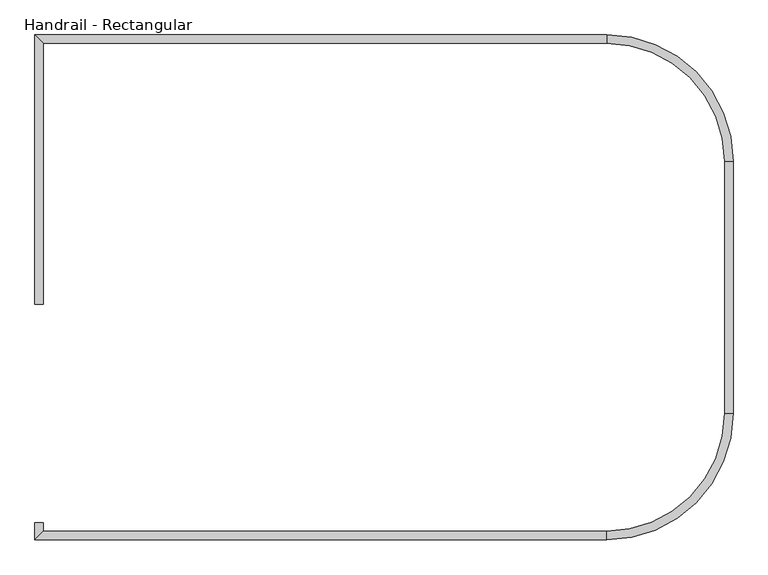
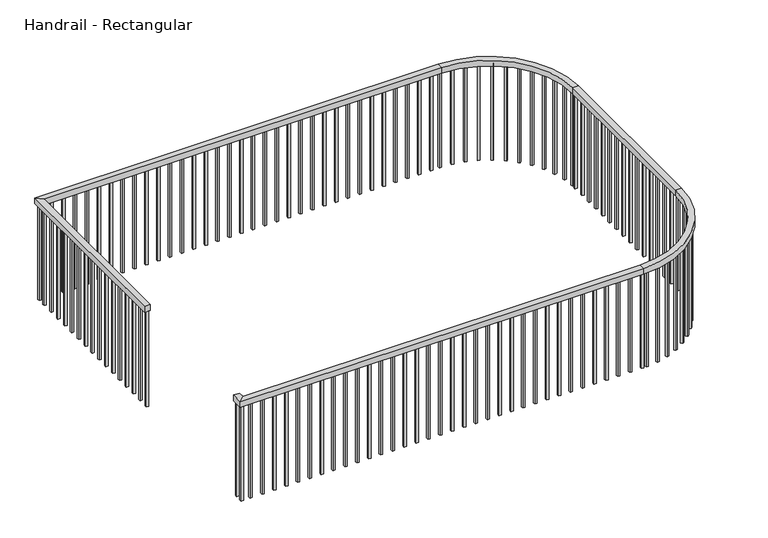
"""IFC4 building model written with IfcOpenShell, lengths in millimetres: railing geometry, Handrail - Rectangular."""

from ifc_helpers import new_model, si_unit, frame, origin, place, context, project, spatial, polyline, circle_curve, outline, extrude, source, transform, mapped, element, save
from ifc_brep_helpers import plane_surface, cylinder_surface, revolved_surface, advanced_brep


def handrail_rectangular_e01ac6ff(model_context):
    return source(origin(), model_context, "Body", "SolidModel", [
        advanced_brep(
        [(-2314.3140165, -4576.3982715, 4572.0), (-2365.1140165, -4576.3982715, 4572.0), (-2365.1140165, -4576.3982715, 4521.2), (-2314.3140165, -4576.3982715, 4521.2), (-2314.3140165, -3001.5982715, 4572.0), (-2365.1140165, -2950.7982715, 4572.0), (-2365.1140165, -2950.7982715, 4521.2), (-2314.3140165, -3001.5982715, 4521.2), (1089.2859835, -3001.5982715, 4572.0), (1089.2859835, -2950.7982715, 4572.0), (1089.2859835, -2950.7982715, 4521.2), (1089.2859835, -3001.5982715, 4521.2), (1851.2859835, -3712.7982715, 4572.0), (1800.4859835, -3712.7982715, 4572.0), (1851.2859835, -3712.7982715, 4521.2), (1800.4859835, -3712.7982715, 4521.2), (1800.4859835, -5236.7982715, 4572.0), (1851.2859835, -5236.7982715, 4572.0), (1851.2859835, -5236.7982715, 4521.2), (1800.4859835, -5236.7982715, 4521.2), (1089.2859835, -5998.7982715, 4572.0), (1089.2859835, -5947.9982715, 4572.0), (1089.2859835, -5998.7982715, 4521.2), (1089.2859835, -5947.9982715, 4521.2), (-2314.3140165, -5947.9982715, 4572.0), (-2365.1140165, -5998.7982715, 4572.0), (-2365.1140165, -5998.7982715, 4521.2), (-2314.3140165, -5947.9982715, 4521.2), (-2314.3140165, -5897.374518, 4572.0), (-2314.3140165, -5897.374518, 4521.2), (-2365.1140165, -5897.374518, 4521.2), (-2365.1140165, -5897.374518, 4572.0)],
        [
            (0, 1),
            (1, 2),
            (2, 3),
            (3, 0),
            (0, 4),
            (4, 5),
            (5, 1),
            (5, 6),
            (6, 2),
            (6, 7),
            (7, 3),
            (7, 4),
            (4, 8),
            (8, 9),
            (9, 5),
            (9, 10),
            (10, 6),
            (10, 11),
            (11, 7),
            (11, 8),
            (12, 9, circle_curve(frame((1089.2859835, -3712.7982715, 4572.0), z_axis=(0.0, 0.0, 1.0), x_axis=(0.0, 1.0, 0.0)), 762.0)),
            (8, 13, circle_curve(frame((1089.2859835, -3712.7982715, 4572.0), z_axis=(0.0, 0.0, -1.0), x_axis=(0.0, 1.0, 0.0)), 711.2)),
            (13, 12),
            (14, 10, circle_curve(frame((1089.2859835, -3712.7982715, 4521.2), z_axis=(0.0, 0.0, 1.0), x_axis=(0.0, 1.0, 0.0)), 762.0)),
            (12, 14),
            (15, 11, circle_curve(frame((1089.2859835, -3712.7982715, 4521.2), z_axis=(0.0, 0.0, 1.0), x_axis=(0.0, 1.0, 0.0)), 711.2)),
            (14, 15),
            (15, 13),
            (13, 16),
            (16, 17),
            (17, 12),
            (17, 18),
            (18, 14),
            (18, 19),
            (19, 15),
            (19, 16),
            (20, 17, circle_curve(frame((1089.2859835, -5236.7982715, 4572.0), z_axis=(0.0, 0.0, 1.0), x_axis=(1.0, 0.0, 0.0)), 762.0)),
            (16, 21, circle_curve(frame((1089.2859835, -5236.7982715, 4572.0), z_axis=(0.0, 0.0, -1.0), x_axis=(1.0, 0.0, 0.0)), 711.2)),
            (21, 20),
            (22, 18, circle_curve(frame((1089.2859835, -5236.7982715, 4521.2), z_axis=(0.0, 0.0, 1.0), x_axis=(1.0, 0.0, 0.0)), 762.0)),
            (20, 22),
            (23, 19, circle_curve(frame((1089.2859835, -5236.7982715, 4521.2), z_axis=(0.0, 0.0, 1.0), x_axis=(1.0, 0.0, 0.0)), 711.2)),
            (22, 23),
            (23, 21),
            (21, 24),
            (24, 25),
            (25, 20),
            (25, 26),
            (26, 22),
            (26, 27),
            (27, 23),
            (27, 24),
            (28, 29),
            (29, 30),
            (30, 31),
            (31, 28),
            (24, 28),
            (31, 25),
            (30, 26),
            (29, 27),
        ],
        [
            plane_surface(frame((-2339.7140165, -4576.3982715, 4572.0), z_axis=(0.0, -1.0, 0.0), x_axis=(0.0, 0.0, 1.0))),
            plane_surface(frame((-2314.3140165, -4576.3982715, 4572.0), z_axis=(0.0, 0.0, 1.0), x_axis=(0.0, 1.0, 0.0))),
            plane_surface(frame((-2365.1140165, -4576.3982715, 4572.0), z_axis=(-1.0, 0.0, 0.0), x_axis=(0.0, 1.0, 0.0))),
            plane_surface(frame((-2365.1140165, -4576.3982715, 4521.2), z_axis=(0.0, 0.0, -1.0), x_axis=(0.0, 1.0, 0.0))),
            plane_surface(frame((-2314.3140165, -4576.3982715, 4521.2), z_axis=(1.0, 0.0, 0.0), x_axis=(0.0, 1.0, 0.0))),
            plane_surface(frame((-2314.3140165, -3001.5982715, 4572.0), z_axis=(0.0, 0.0, 1.0), x_axis=(1.0, 0.0, 0.0))),
            plane_surface(frame((-2365.1140165, -2950.7982715, 4572.0), z_axis=(0.0, 1.0, 0.0), x_axis=(1.0, 0.0, 0.0))),
            plane_surface(frame((-2365.1140165, -2950.7982715, 4521.2), z_axis=(0.0, 0.0, -1.0), x_axis=(1.0, 0.0, 0.0))),
            plane_surface(frame((-2314.3140165, -3001.5982715, 4521.2), z_axis=(0.0, -1.0, 0.0), x_axis=(1.0, 0.0, 0.0))),
            plane_surface(frame((1089.2859835, -3712.7982715, 4572.0), z_axis=(0.0, 0.0, 1.0), x_axis=(0.0, 1.0, 0.0))),
            cylinder_surface(frame((1089.2859835, -3712.7982715, 4572.0), z_axis=(0.0, 0.0, -1.0), x_axis=(0.0, 1.0, 0.0)), 762.0),
            plane_surface(frame((1089.2859835, -3712.7982715, 4521.2), z_axis=(0.0, 0.0, -1.0), x_axis=(0.0, 1.0, 0.0))),
            revolved_surface(polyline([(1089.2859835, -3001.5982715, 4521.2), (1089.2859835, -3001.5982715, 4572.0)]), (1089.2859835, -3712.7982715, 4572.0), (0.0, 0.0, -1.0)),
            plane_surface(frame((1800.4859835, -3712.7982715, 4572.0), z_axis=(0.0, 0.0, 1.0), x_axis=(0.0, -1.0, 0.0))),
            plane_surface(frame((1851.2859835, -3712.7982715, 4572.0), z_axis=(1.0, 0.0, 0.0), x_axis=(0.0, -1.0, 0.0))),
            plane_surface(frame((1851.2859835, -3712.7982715, 4521.2), z_axis=(0.0, 0.0, -1.0), x_axis=(0.0, -1.0, 0.0))),
            plane_surface(frame((1800.4859835, -3712.7982715, 4521.2), z_axis=(-1.0, 0.0, 0.0), x_axis=(0.0, -1.0, 0.0))),
            plane_surface(frame((1089.2859835, -5236.7982715, 4572.0), z_axis=(0.0, 0.0, 1.0), x_axis=(1.0, 0.0, 0.0))),
            cylinder_surface(frame((1089.2859835, -5236.7982715, 4572.0), z_axis=(0.0, 0.0, -1.0), x_axis=(1.0, 0.0, 0.0)), 762.0),
            plane_surface(frame((1089.2859835, -5236.7982715, 4521.2), z_axis=(0.0, 0.0, -1.0), x_axis=(1.0, 0.0, 0.0))),
            revolved_surface(polyline([(1800.4859835, -5236.7982715, 4521.2), (1800.4859835, -5236.7982715, 4572.0)]), (1089.2859835, -5236.7982715, 4572.0), (0.0, 0.0, -1.0)),
            plane_surface(frame((1089.2859835, -5947.9982715, 4572.0), z_axis=(0.0, 0.0, 1.0), x_axis=(-1.0, 0.0, 0.0))),
            plane_surface(frame((1089.2859835, -5998.7982715, 4572.0), z_axis=(0.0, -1.0, 0.0), x_axis=(-1.0, 0.0, 0.0))),
            plane_surface(frame((1089.2859835, -5998.7982715, 4521.2), z_axis=(0.0, 0.0, -1.0), x_axis=(-1.0, 0.0, 0.0))),
            plane_surface(frame((1089.2859835, -5947.9982715, 4521.2), z_axis=(0.0, 1.0, 0.0), x_axis=(-1.0, 0.0, 0.0))),
            plane_surface(frame((-2339.7140165, -5897.374518, 4572.0), z_axis=(0.0, 1.0, 0.0), x_axis=(0.0, 0.0, 1.0))),
            plane_surface(frame((-2314.3140165, -5947.9982715, 4572.0), z_axis=(0.0, 0.0, 1.0), x_axis=(0.0, 1.0, 0.0))),
            plane_surface(frame((-2365.1140165, -5998.7982715, 4572.0), z_axis=(-1.0, 0.0, 0.0), x_axis=(0.0, 1.0, 0.0))),
            plane_surface(frame((-2365.1140165, -5998.7982715, 4521.2), z_axis=(0.0, 0.0, -1.0), x_axis=(0.0, 1.0, 0.0))),
            plane_surface(frame((-2314.3140165, -5947.9982715, 4521.2), z_axis=(1.0, 0.0, 0.0), x_axis=(0.0, 1.0, 0.0))),
        ],
        [
            (0, [[1, 2, 3, 4]]),
            (1, [[-1, 5, 6, 7]]),
            (2, [[-2, -7, 8, 9]]),
            (3, [[-3, -9, 10, 11]]),
            (4, [[-4, -11, 12, -5]]),
            (5, [[-6, 13, 14, 15]]),
            (6, [[-8, -15, 16, 17]]),
            (7, [[-10, -17, 18, 19]]),
            (8, [[-12, -19, 20, -13]]),
            (9, [[21, -14, 22, 23]]),
            (10, [[24, -16, -21, 25]]),
            (11, [[26, -18, -24, 27]]),
            (12, [[-22, -20, -26, 28]]),
            (13, [[-23, 29, 30, 31]]),
            (14, [[-25, -31, 32, 33]]),
            (15, [[-27, -33, 34, 35]]),
            (16, [[-28, -35, 36, -29]]),
            (17, [[37, -30, 38, 39]]),
            (18, [[40, -32, -37, 41]]),
            (19, [[42, -34, -40, 43]]),
            (20, [[-38, -36, -42, 44]]),
            (21, [[-39, 45, 46, 47]]),
            (22, [[-41, -47, 48, 49]]),
            (23, [[-43, -49, 50, 51]]),
            (24, [[-44, -51, 52, -45]]),
            (25, [[53, 54, 55, 56]]),
            (26, [[-46, 57, -56, 58]]),
            (27, [[-48, -58, -55, 59]]),
            (28, [[-50, -59, -54, 60]]),
            (29, [[-52, -60, -53, -57]]),
        ],
    ),
        extrude(outline(polyline([(-2253.9890165, -5963.8732715), (-2253.9890165, -5982.9232715), (-2273.0390165, -5982.9232715), (-2273.0390165, -5963.8732715), (-2253.9890165, -5963.8732715)])), frame((0.0, 0.0, 3657.6), z_axis=(0.0, 0.0, 1.0), x_axis=(1.0, 0.0, 0.0)), (0.0, 0.0, 1.0), 863.6),
        extrude(outline(polyline([(-2152.3890165, -5963.8732715), (-2152.3890165, -5982.9232715), (-2171.4390165, -5982.9232715), (-2171.4390165, -5963.8732715), (-2152.3890165, -5963.8732715)])), frame((0.0, 0.0, 3657.6), z_axis=(0.0, 0.0, 1.0), x_axis=(1.0, 0.0, 0.0)), (0.0, 0.0, 1.0), 863.6),
        extrude(outline(polyline([(-2050.7890165, -5963.8732715), (-2050.7890165, -5982.9232715), (-2069.8390165, -5982.9232715), (-2069.8390165, -5963.8732715), (-2050.7890165, -5963.8732715)])), frame((0.0, 0.0, 3657.6), z_axis=(0.0, 0.0, 1.0), x_axis=(1.0, 0.0, 0.0)), (0.0, 0.0, 1.0), 863.6),
        extrude(outline(polyline([(-1949.1890165, -5963.8732715), (-1949.1890165, -5982.9232715), (-1968.2390165, -5982.9232715), (-1968.2390165, -5963.8732715), (-1949.1890165, -5963.8732715)])), frame((0.0, 0.0, 3657.6), z_axis=(0.0, 0.0, 1.0), x_axis=(1.0, 0.0, 0.0)), (0.0, 0.0, 1.0), 863.6),
        extrude(outline(polyline([(-1847.5890165, -5963.8732715), (-1847.5890165, -5982.9232715), (-1866.6390165, -5982.9232715), (-1866.6390165, -5963.8732715), (-1847.5890165, -5963.8732715)])), frame((0.0, 0.0, 3657.6), z_axis=(0.0, 0.0, 1.0), x_axis=(1.0, 0.0, 0.0)), (0.0, 0.0, 1.0), 863.6),
        extrude(outline(polyline([(-1745.9890165, -5963.8732715), (-1745.9890165, -5982.9232715), (-1765.0390165, -5982.9232715), (-1765.0390165, -5963.8732715), (-1745.9890165, -5963.8732715)])), frame((0.0, 0.0, 3657.6), z_axis=(0.0, 0.0, 1.0), x_axis=(1.0, 0.0, 0.0)), (0.0, 0.0, 1.0), 863.6),
        extrude(outline(polyline([(-1644.3890165, -5963.8732715), (-1644.3890165, -5982.9232715), (-1663.4390165, -5982.9232715), (-1663.4390165, -5963.8732715), (-1644.3890165, -5963.8732715)])), frame((0.0, 0.0, 3657.6), z_axis=(0.0, 0.0, 1.0), x_axis=(1.0, 0.0, 0.0)), (0.0, 0.0, 1.0), 863.6),
        extrude(outline(polyline([(-1542.7890165, -5963.8732715), (-1542.7890165, -5982.9232715), (-1561.8390165, -5982.9232715), (-1561.8390165, -5963.8732715), (-1542.7890165, -5963.8732715)])), frame((0.0, 0.0, 3657.6), z_axis=(0.0, 0.0, 1.0), x_axis=(1.0, 0.0, 0.0)), (0.0, 0.0, 1.0), 863.6),
        extrude(outline(polyline([(-1441.1890165, -5963.8732715), (-1441.1890165, -5982.9232715), (-1460.2390165, -5982.9232715), (-1460.2390165, -5963.8732715), (-1441.1890165, -5963.8732715)])), frame((0.0, 0.0, 3657.6), z_axis=(0.0, 0.0, 1.0), x_axis=(1.0, 0.0, 0.0)), (0.0, 0.0, 1.0), 863.6),
        extrude(outline(polyline([(-1339.5890165, -5963.8732715), (-1339.5890165, -5982.9232715), (-1358.6390165, -5982.9232715), (-1358.6390165, -5963.8732715), (-1339.5890165, -5963.8732715)])), frame((0.0, 0.0, 3657.6), z_axis=(0.0, 0.0, 1.0), x_axis=(1.0, 0.0, 0.0)), (0.0, 0.0, 1.0), 863.6),
        extrude(outline(polyline([(-1237.9890165, -5963.8732715), (-1237.9890165, -5982.9232715), (-1257.0390165, -5982.9232715), (-1257.0390165, -5963.8732715), (-1237.9890165, -5963.8732715)])), frame((0.0, 0.0, 3657.6), z_axis=(0.0, 0.0, 1.0), x_axis=(1.0, 0.0, 0.0)), (0.0, 0.0, 1.0), 863.6),
        extrude(outline(polyline([(-1136.3890165, -5963.8732715), (-1136.3890165, -5982.9232715), (-1155.4390165, -5982.9232715), (-1155.4390165, -5963.8732715), (-1136.3890165, -5963.8732715)])), frame((0.0, 0.0, 3657.6), z_axis=(0.0, 0.0, 1.0), x_axis=(1.0, 0.0, 0.0)), (0.0, 0.0, 1.0), 863.6),
        extrude(outline(polyline([(-1034.7890165, -5963.8732715), (-1034.7890165, -5982.9232715), (-1053.8390165, -5982.9232715), (-1053.8390165, -5963.8732715), (-1034.7890165, -5963.8732715)])), frame((0.0, 0.0, 3657.6), z_axis=(0.0, 0.0, 1.0), x_axis=(1.0, 0.0, 0.0)), (0.0, 0.0, 1.0), 863.6),
        extrude(outline(polyline([(-933.1890165, -5963.8732715), (-933.1890165, -5982.9232715), (-952.2390165, -5982.9232715), (-952.2390165, -5963.8732715), (-933.1890165, -5963.8732715)])), frame((0.0, 0.0, 3657.6), z_axis=(0.0, 0.0, 1.0), x_axis=(1.0, 0.0, 0.0)), (0.0, 0.0, 1.0), 863.6),
        extrude(outline(polyline([(-831.5890165, -5963.8732715), (-831.5890165, -5982.9232715), (-850.6390165, -5982.9232715), (-850.6390165, -5963.8732715), (-831.5890165, -5963.8732715)])), frame((0.0, 0.0, 3657.6), z_axis=(0.0, 0.0, 1.0), x_axis=(1.0, 0.0, 0.0)), (0.0, 0.0, 1.0), 863.6),
        extrude(outline(polyline([(-729.9890165, -5963.8732715), (-729.9890165, -5982.9232715), (-749.0390165, -5982.9232715), (-749.0390165, -5963.8732715), (-729.9890165, -5963.8732715)])), frame((0.0, 0.0, 3657.6), z_axis=(0.0, 0.0, 1.0), x_axis=(1.0, 0.0, 0.0)), (0.0, 0.0, 1.0), 863.6),
        extrude(outline(polyline([(-628.3890165, -5963.8732715), (-628.3890165, -5982.9232715), (-647.4390165, -5982.9232715), (-647.4390165, -5963.8732715), (-628.3890165, -5963.8732715)])), frame((0.0, 0.0, 3657.6), z_axis=(0.0, 0.0, 1.0), x_axis=(1.0, 0.0, 0.0)), (0.0, 0.0, 1.0), 863.6),
        extrude(outline(polyline([(-526.7890165, -5963.8732715), (-526.7890165, -5982.9232715), (-545.8390165, -5982.9232715), (-545.8390165, -5963.8732715), (-526.7890165, -5963.8732715)])), frame((0.0, 0.0, 3657.6), z_axis=(0.0, 0.0, 1.0), x_axis=(1.0, 0.0, 0.0)), (0.0, 0.0, 1.0), 863.6),
        extrude(outline(polyline([(-425.1890165, -5963.8732715), (-425.1890165, -5982.9232715), (-444.2390165, -5982.9232715), (-444.2390165, -5963.8732715), (-425.1890165, -5963.8732715)])), frame((0.0, 0.0, 3657.6), z_axis=(0.0, 0.0, 1.0), x_axis=(1.0, 0.0, 0.0)), (0.0, 0.0, 1.0), 863.6),
        extrude(outline(polyline([(-323.5890165, -5963.8732715), (-323.5890165, -5982.9232715), (-342.6390165, -5982.9232715), (-342.6390165, -5963.8732715), (-323.5890165, -5963.8732715)])), frame((0.0, 0.0, 3657.6), z_axis=(0.0, 0.0, 1.0), x_axis=(1.0, 0.0, 0.0)), (0.0, 0.0, 1.0), 863.6),
        extrude(outline(polyline([(-221.9890165, -5963.8732715), (-221.9890165, -5982.9232715), (-241.0390165, -5982.9232715), (-241.0390165, -5963.8732715), (-221.9890165, -5963.8732715)])), frame((0.0, 0.0, 3657.6), z_axis=(0.0, 0.0, 1.0), x_axis=(1.0, 0.0, 0.0)), (0.0, 0.0, 1.0), 863.6),
        extrude(outline(polyline([(-120.3890165, -5963.8732715), (-120.3890165, -5982.9232715), (-139.4390165, -5982.9232715), (-139.4390165, -5963.8732715), (-120.3890165, -5963.8732715)])), frame((0.0, 0.0, 3657.6), z_axis=(0.0, 0.0, 1.0), x_axis=(1.0, 0.0, 0.0)), (0.0, 0.0, 1.0), 863.6),
        extrude(outline(polyline([(-18.7890165, -5963.8732715), (-18.7890165, -5982.9232715), (-37.8390165, -5982.9232715), (-37.8390165, -5963.8732715), (-18.7890165, -5963.8732715)])), frame((0.0, 0.0, 3657.6), z_axis=(0.0, 0.0, 1.0), x_axis=(1.0, 0.0, 0.0)), (0.0, 0.0, 1.0), 863.6),
        extrude(outline(polyline([(82.8109835, -5963.8732715), (82.8109835, -5982.9232715), (63.7609835, -5982.9232715), (63.7609835, -5963.8732715), (82.8109835, -5963.8732715)])), frame((0.0, 0.0, 3657.6), z_axis=(0.0, 0.0, 1.0), x_axis=(1.0, 0.0, 0.0)), (0.0, 0.0, 1.0), 863.6),
        extrude(outline(polyline([(184.4109835, -5963.8732715), (184.4109835, -5982.9232715), (165.3609835, -5982.9232715), (165.3609835, -5963.8732715), (184.4109835, -5963.8732715)])), frame((0.0, 0.0, 3657.6), z_axis=(0.0, 0.0, 1.0), x_axis=(1.0, 0.0, 0.0)), (0.0, 0.0, 1.0), 863.6),
        extrude(outline(polyline([(286.0109835, -5963.8732715), (286.0109835, -5982.9232715), (266.9609835, -5982.9232715), (266.9609835, -5963.8732715), (286.0109835, -5963.8732715)])), frame((0.0, 0.0, 3657.6), z_axis=(0.0, 0.0, 1.0), x_axis=(1.0, 0.0, 0.0)), (0.0, 0.0, 1.0), 863.6),
        extrude(outline(polyline([(387.6109835, -5963.8732715), (387.6109835, -5982.9232715), (368.5609835, -5982.9232715), (368.5609835, -5963.8732715), (387.6109835, -5963.8732715)])), frame((0.0, 0.0, 3657.6), z_axis=(0.0, 0.0, 1.0), x_axis=(1.0, 0.0, 0.0)), (0.0, 0.0, 1.0), 863.6),
        extrude(outline(polyline([(489.2109835, -5963.8732715), (489.2109835, -5982.9232715), (470.1609835, -5982.9232715), (470.1609835, -5963.8732715), (489.2109835, -5963.8732715)])), frame((0.0, 0.0, 3657.6), z_axis=(0.0, 0.0, 1.0), x_axis=(1.0, 0.0, 0.0)), (0.0, 0.0, 1.0), 863.6),
        extrude(outline(polyline([(590.8109835, -5963.8732715), (590.8109835, -5982.9232715), (571.7609835, -5982.9232715), (571.7609835, -5963.8732715), (590.8109835, -5963.8732715)])), frame((0.0, 0.0, 3657.6), z_axis=(0.0, 0.0, 1.0), x_axis=(1.0, 0.0, 0.0)), (0.0, 0.0, 1.0), 863.6),
        extrude(outline(polyline([(692.4109835, -5963.8732715), (692.4109835, -5982.9232715), (673.3609835, -5982.9232715), (673.3609835, -5963.8732715), (692.4109835, -5963.8732715)])), frame((0.0, 0.0, 3657.6), z_axis=(0.0, 0.0, 1.0), x_axis=(1.0, 0.0, 0.0)), (0.0, 0.0, 1.0), 863.6),
        extrude(outline(polyline([(794.0109835, -5963.8732715), (794.0109835, -5982.9232715), (774.9609835, -5982.9232715), (774.9609835, -5963.8732715), (794.0109835, -5963.8732715)])), frame((0.0, 0.0, 3657.6), z_axis=(0.0, 0.0, 1.0), x_axis=(1.0, 0.0, 0.0)), (0.0, 0.0, 1.0), 863.6),
        extrude(outline(polyline([(895.6109835, -5963.8732715), (895.6109835, -5982.9232715), (876.5609835, -5982.9232715), (876.5609835, -5963.8732715), (895.6109835, -5963.8732715)])), frame((0.0, 0.0, 3657.6), z_axis=(0.0, 0.0, 1.0), x_axis=(1.0, 0.0, 0.0)), (0.0, 0.0, 1.0), 863.6),
        extrude(outline(polyline([(997.2109835, -5963.8732715), (997.2109835, -5982.9232715), (978.1609835, -5982.9232715), (978.1609835, -5963.8732715), (997.2109835, -5963.8732715)])), frame((0.0, 0.0, 3657.6), z_axis=(0.0, 0.0, 1.0), x_axis=(1.0, 0.0, 0.0)), (0.0, 0.0, 1.0), 863.6),
        extrude(outline(polyline([(1137.7171799, -5962.32098), (1138.736914, -5981.3436676), (1119.7142265, -5982.3634017), (1118.6944923, -5963.3407141), (1137.7171799, -5962.32098)])), frame((0.0, 0.0, 3657.6), z_axis=(0.0, 0.0, 1.0), x_axis=(1.0, 0.0, 0.0)), (0.0, 0.0, 1.0), 863.6),
        extrude(outline(polyline([(1237.0122968, -5948.7713873), (1240.6378533, -5967.4732011), (1221.9360395, -5971.0987576), (1218.310483, -5952.3969438), (1237.0122968, -5948.7713873)])), frame((0.0, 0.0, 3657.6), z_axis=(0.0, 0.0, 1.0), x_axis=(1.0, 0.0, 0.0)), (0.0, 0.0, 1.0), 863.6),
        extrude(outline(polyline([(1333.5013779, -5921.6979886), (1339.6638899, -5939.7236909), (1321.6381876, -5945.886203), (1315.4756755, -5927.8605006), (1333.5013779, -5921.6979886)])), frame((0.0, 0.0, 3657.6), z_axis=(0.0, 0.0, 1.0), x_axis=(1.0, 0.0, 0.0)), (0.0, 0.0, 1.0), 863.6),
        extrude(outline(polyline([(1425.3516299, -5881.6150382), (1433.9340416, -5898.622234), (1416.9268458, -5907.2046457), (1408.3444341, -5890.1974499), (1425.3516299, -5881.6150382)])), frame((0.0, 0.0, 3657.6), z_axis=(0.0, 0.0, 1.0), x_axis=(1.0, 0.0, 0.0)), (0.0, 0.0, 1.0), 863.6),
        extrude(outline(polyline([(1510.818373, -5829.2839049), (1521.6576631, -5844.9495454), (1505.9920226, -5855.7888354), (1495.1527326, -5840.123195), (1510.818373, -5829.2839049)])), frame((0.0, 0.0, 3657.6), z_axis=(0.0, 0.0, 1.0), x_axis=(1.0, 0.0, 0.0)), (0.0, 0.0, 1.0), 863.6),
        extrude(outline(polyline([(1588.2781814, -5765.6986096), (1601.1684593, -5779.7251287), (1587.1419402, -5792.6154065), (1574.2516624, -5778.5888875), (1588.2781814, -5765.6986096)])), frame((0.0, 0.0, 3657.6), z_axis=(0.0, 0.0, 1.0), x_axis=(1.0, 0.0, 0.0)), (0.0, 0.0, 1.0), 863.6),
        extrude(outline(polyline([(1656.2597194, -5692.0669439), (1670.9561365, -5704.1879102), (1658.8351702, -5718.8843273), (1644.1387531, -5706.763361), (1656.2597194, -5692.0669439)])), frame((0.0, 0.0, 3657.6), z_axis=(0.0, 0.0, 1.0), x_axis=(1.0, 0.0, 0.0)), (0.0, 0.0, 1.0), 863.6),
        extrude(outline(polyline([(1713.4716893, -5609.7875285), (1729.6950898, -5619.7727065), (1719.7099118, -5635.9961069), (1703.4865114, -5626.010929), (1713.4716893, -5609.7875285)])), frame((0.0, 0.0, 3657.6), z_axis=(0.0, 0.0, 1.0), x_axis=(1.0, 0.0, 0.0)), (0.0, 0.0, 1.0), 863.6),
        extrude(outline(polyline([(1758.8273598, -5520.4232468), (1776.2695829, -5528.0829696), (1768.6098601, -5545.5251927), (1751.167637, -5537.8654699), (1758.8273598, -5520.4232468)])), frame((0.0, 0.0, 3657.6), z_axis=(0.0, 0.0, 1.0), x_axis=(1.0, 0.0, 0.0)), (0.0, 0.0, 1.0), 863.6),
        extrude(outline(polyline([(1791.4652077, -5425.6715577), (1809.7949415, -5430.8603303), (1804.6061689, -5449.1900641), (1786.2764352, -5444.0012915), (1791.4652077, -5425.6715577)])), frame((0.0, 0.0, 3657.6), z_axis=(0.0, 0.0, 1.0), x_axis=(1.0, 0.0, 0.0)), (0.0, 0.0, 1.0), 863.6),
        extrude(outline(polyline([(1810.7652828, -5327.3322533), (1829.6343571, -5329.9515158), (1827.0150946, -5348.8205901), (1808.1460203, -5346.2013276), (1810.7652828, -5327.3322533)])), frame((0.0, 0.0, 3657.6), z_axis=(0.0, 0.0, 1.0), x_axis=(1.0, 0.0, 0.0)), (0.0, 0.0, 1.0), 863.6),
        extrude(outline(polyline([(1816.3609835, -5125.6732715), (1835.4109835, -5125.6732715), (1835.4109835, -5144.7232715), (1816.3609835, -5144.7232715), (1816.3609835, -5125.6732715)])), frame((0.0, 0.0, 3657.6), z_axis=(0.0, 0.0, 1.0), x_axis=(1.0, 0.0, 0.0)), (0.0, 0.0, 1.0), 863.6),
        extrude(outline(polyline([(1816.3609835, -5024.0732715), (1835.4109835, -5024.0732715), (1835.4109835, -5043.1232715), (1816.3609835, -5043.1232715), (1816.3609835, -5024.0732715)])), frame((0.0, 0.0, 3657.6), z_axis=(0.0, 0.0, 1.0), x_axis=(1.0, 0.0, 0.0)), (0.0, 0.0, 1.0), 863.6),
        extrude(outline(polyline([(1816.3609835, -4922.4732715), (1835.4109835, -4922.4732715), (1835.4109835, -4941.5232715), (1816.3609835, -4941.5232715), (1816.3609835, -4922.4732715)])), frame((0.0, 0.0, 3657.6), z_axis=(0.0, 0.0, 1.0), x_axis=(1.0, 0.0, 0.0)), (0.0, 0.0, 1.0), 863.6),
        extrude(outline(polyline([(1816.3609835, -4820.8732715), (1835.4109835, -4820.8732715), (1835.4109835, -4839.9232715), (1816.3609835, -4839.9232715), (1816.3609835, -4820.8732715)])), frame((0.0, 0.0, 3657.6), z_axis=(0.0, 0.0, 1.0), x_axis=(1.0, 0.0, 0.0)), (0.0, 0.0, 1.0), 863.6),
        extrude(outline(polyline([(1816.3609835, -4719.2732715), (1835.4109835, -4719.2732715), (1835.4109835, -4738.3232715), (1816.3609835, -4738.3232715), (1816.3609835, -4719.2732715)])), frame((0.0, 0.0, 3657.6), z_axis=(0.0, 0.0, 1.0), x_axis=(1.0, 0.0, 0.0)), (0.0, 0.0, 1.0), 863.6),
        extrude(outline(polyline([(1816.3609835, -4617.6732715), (1835.4109835, -4617.6732715), (1835.4109835, -4636.7232715), (1816.3609835, -4636.7232715), (1816.3609835, -4617.6732715)])), frame((0.0, 0.0, 3657.6), z_axis=(0.0, 0.0, 1.0), x_axis=(1.0, 0.0, 0.0)), (0.0, 0.0, 1.0), 863.6),
        extrude(outline(polyline([(1816.3609835, -4516.0732715), (1835.4109835, -4516.0732715), (1835.4109835, -4535.1232715), (1816.3609835, -4535.1232715), (1816.3609835, -4516.0732715)])), frame((0.0, 0.0, 3657.6), z_axis=(0.0, 0.0, 1.0), x_axis=(1.0, 0.0, 0.0)), (0.0, 0.0, 1.0), 863.6),
        extrude(outline(polyline([(1816.3609835, -4414.4732715), (1835.4109835, -4414.4732715), (1835.4109835, -4433.5232715), (1816.3609835, -4433.5232715), (1816.3609835, -4414.4732715)])), frame((0.0, 0.0, 3657.6), z_axis=(0.0, 0.0, 1.0), x_axis=(1.0, 0.0, 0.0)), (0.0, 0.0, 1.0), 863.6),
        extrude(outline(polyline([(1816.3609835, -4312.8732715), (1835.4109835, -4312.8732715), (1835.4109835, -4331.9232715), (1816.3609835, -4331.9232715), (1816.3609835, -4312.8732715)])), frame((0.0, 0.0, 3657.6), z_axis=(0.0, 0.0, 1.0), x_axis=(1.0, 0.0, 0.0)), (0.0, 0.0, 1.0), 863.6),
        extrude(outline(polyline([(1816.3609835, -4211.2732715), (1835.4109835, -4211.2732715), (1835.4109835, -4230.3232715), (1816.3609835, -4230.3232715), (1816.3609835, -4211.2732715)])), frame((0.0, 0.0, 3657.6), z_axis=(0.0, 0.0, 1.0), x_axis=(1.0, 0.0, 0.0)), (0.0, 0.0, 1.0), 863.6),
        extrude(outline(polyline([(1816.3609835, -4109.6732715), (1835.4109835, -4109.6732715), (1835.4109835, -4128.7232715), (1816.3609835, -4128.7232715), (1816.3609835, -4109.6732715)])), frame((0.0, 0.0, 3657.6), z_axis=(0.0, 0.0, 1.0), x_axis=(1.0, 0.0, 0.0)), (0.0, 0.0, 1.0), 863.6),
        extrude(outline(polyline([(1816.3609835, -4008.0732715), (1835.4109835, -4008.0732715), (1835.4109835, -4027.1232715), (1816.3609835, -4027.1232715), (1816.3609835, -4008.0732715)])), frame((0.0, 0.0, 3657.6), z_axis=(0.0, 0.0, 1.0), x_axis=(1.0, 0.0, 0.0)), (0.0, 0.0, 1.0), 863.6),
        extrude(outline(polyline([(1816.3609835, -3906.4732715), (1835.4109835, -3906.4732715), (1835.4109835, -3925.5232715), (1816.3609835, -3925.5232715), (1816.3609835, -3906.4732715)])), frame((0.0, 0.0, 3657.6), z_axis=(0.0, 0.0, 1.0), x_axis=(1.0, 0.0, 0.0)), (0.0, 0.0, 1.0), 863.6),
        extrude(outline(polyline([(1816.3609835, -3804.8732715), (1835.4109835, -3804.8732715), (1835.4109835, -3823.9232715), (1816.3609835, -3823.9232715), (1816.3609835, -3804.8732715)])), frame((0.0, 0.0, 3657.6), z_axis=(0.0, 0.0, 1.0), x_axis=(1.0, 0.0, 0.0)), (0.0, 0.0, 1.0), 863.6),
        extrude(outline(polyline([(1814.8086919, -3664.3670751), (1833.8313795, -3663.347341), (1834.8511136, -3682.3700285), (1815.828426, -3683.3897627), (1814.8086919, -3664.3670751)])), frame((0.0, 0.0, 3657.6), z_axis=(0.0, 0.0, 1.0), x_axis=(1.0, 0.0, 0.0)), (0.0, 0.0, 1.0), 863.6),
        extrude(outline(polyline([(1801.2590992, -3565.0719582), (1819.9609131, -3561.4464017), (1823.5864696, -3580.1482155), (1804.8846557, -3583.773772), (1801.2590992, -3565.0719582)])), frame((0.0, 0.0, 3657.6), z_axis=(0.0, 0.0, 1.0), x_axis=(1.0, 0.0, 0.0)), (0.0, 0.0, 1.0), 863.6),
        extrude(outline(polyline([(1774.1857005, -3468.5828771), (1792.2114028, -3462.420365), (1798.3739149, -3480.4460674), (1780.3482125, -3486.6085794), (1774.1857005, -3468.5828771)])), frame((0.0, 0.0, 3657.6), z_axis=(0.0, 0.0, 1.0), x_axis=(1.0, 0.0, 0.0)), (0.0, 0.0, 1.0), 863.6),
        extrude(outline(polyline([(1734.1027501, -3376.7326251), (1751.1099459, -3368.1502134), (1759.6923576, -3385.1574092), (1742.6851619, -3393.7398209), (1734.1027501, -3376.7326251)])), frame((0.0, 0.0, 3657.6), z_axis=(0.0, 0.0, 1.0), x_axis=(1.0, 0.0, 0.0)), (0.0, 0.0, 1.0), 863.6),
        extrude(outline(polyline([(1681.7716168, -3291.265882), (1697.4372573, -3280.4265919), (1708.2765474, -3296.0922324), (1692.6109069, -3306.9315224), (1681.7716168, -3291.265882)])), frame((0.0, 0.0, 3657.6), z_axis=(0.0, 0.0, 1.0), x_axis=(1.0, 0.0, 0.0)), (0.0, 0.0, 1.0), 863.6),
        extrude(outline(polyline([(1618.1863215, -3213.8060736), (1632.2128406, -3200.9157957), (1645.1031184, -3214.9423148), (1631.0765994, -3227.8325926), (1618.1863215, -3213.8060736)])), frame((0.0, 0.0, 3657.6), z_axis=(0.0, 0.0, 1.0), x_axis=(1.0, 0.0, 0.0)), (0.0, 0.0, 1.0), 863.6),
        extrude(outline(polyline([(1544.5546558, -3145.8245356), (1556.6756221, -3131.1281185), (1571.3720392, -3143.2490848), (1559.2510729, -3157.9455019), (1544.5546558, -3145.8245356)])), frame((0.0, 0.0, 3657.6), z_axis=(0.0, 0.0, 1.0), x_axis=(1.0, 0.0, 0.0)), (0.0, 0.0, 1.0), 863.6),
        extrude(outline(polyline([(1462.2752405, -3088.6125657), (1472.2604184, -3072.3891652), (1488.4838188, -3082.3743432), (1478.4986409, -3098.5977436), (1462.2752405, -3088.6125657)])), frame((0.0, 0.0, 3657.6), z_axis=(0.0, 0.0, 1.0), x_axis=(1.0, 0.0, 0.0)), (0.0, 0.0, 1.0), 863.6),
        extrude(outline(polyline([(1372.9109587, -3043.2568952), (1380.5706815, -3025.8146721), (1398.0129046, -3033.4743949), (1390.3531818, -3050.916618), (1372.9109587, -3043.2568952)])), frame((0.0, 0.0, 3657.6), z_axis=(0.0, 0.0, 1.0), x_axis=(1.0, 0.0, 0.0)), (0.0, 0.0, 1.0), 863.6),
        extrude(outline(polyline([(1278.1592697, -3010.6190473), (1283.3480422, -2992.2893135), (1301.677776, -2997.4780861), (1296.4890034, -3015.8078198), (1278.1592697, -3010.6190473)])), frame((0.0, 0.0, 3657.6), z_axis=(0.0, 0.0, 1.0), x_axis=(1.0, 0.0, 0.0)), (0.0, 0.0, 1.0), 863.6),
        extrude(outline(polyline([(1179.8199652, -2991.3189722), (1182.4392277, -2972.4498979), (1201.308302, -2975.0691604), (1198.6890395, -2993.9382347), (1179.8199652, -2991.3189722)])), frame((0.0, 0.0, 3657.6), z_axis=(0.0, 0.0, 1.0), x_axis=(1.0, 0.0, 0.0)), (0.0, 0.0, 1.0), 863.6),
        extrude(outline(polyline([(1003.5609835, -2985.7232715), (1003.5609835, -2966.6732715), (1022.6109835, -2966.6732715), (1022.6109835, -2985.7232715), (1003.5609835, -2985.7232715)])), frame((0.0, 0.0, 3657.6), z_axis=(0.0, 0.0, 1.0), x_axis=(1.0, 0.0, 0.0)), (0.0, 0.0, 1.0), 863.6),
        extrude(outline(polyline([(901.9609835, -2985.7232715), (901.9609835, -2966.6732715), (921.0109835, -2966.6732715), (921.0109835, -2985.7232715), (901.9609835, -2985.7232715)])), frame((0.0, 0.0, 3657.6), z_axis=(0.0, 0.0, 1.0), x_axis=(1.0, 0.0, 0.0)), (0.0, 0.0, 1.0), 863.6),
        extrude(outline(polyline([(800.3609835, -2985.7232715), (800.3609835, -2966.6732715), (819.4109835, -2966.6732715), (819.4109835, -2985.7232715), (800.3609835, -2985.7232715)])), frame((0.0, 0.0, 3657.6), z_axis=(0.0, 0.0, 1.0), x_axis=(1.0, 0.0, 0.0)), (0.0, 0.0, 1.0), 863.6),
        extrude(outline(polyline([(698.7609835, -2985.7232715), (698.7609835, -2966.6732715), (717.8109835, -2966.6732715), (717.8109835, -2985.7232715), (698.7609835, -2985.7232715)])), frame((0.0, 0.0, 3657.6), z_axis=(0.0, 0.0, 1.0), x_axis=(1.0, 0.0, 0.0)), (0.0, 0.0, 1.0), 863.6),
        extrude(outline(polyline([(597.1609835, -2985.7232715), (597.1609835, -2966.6732715), (616.2109835, -2966.6732715), (616.2109835, -2985.7232715), (597.1609835, -2985.7232715)])), frame((0.0, 0.0, 3657.6), z_axis=(0.0, 0.0, 1.0), x_axis=(1.0, 0.0, 0.0)), (0.0, 0.0, 1.0), 863.6),
        extrude(outline(polyline([(495.5609835, -2985.7232715), (495.5609835, -2966.6732715), (514.6109835, -2966.6732715), (514.6109835, -2985.7232715), (495.5609835, -2985.7232715)])), frame((0.0, 0.0, 3657.6), z_axis=(0.0, 0.0, 1.0), x_axis=(1.0, 0.0, 0.0)), (0.0, 0.0, 1.0), 863.6),
        extrude(outline(polyline([(393.9609835, -2985.7232715), (393.9609835, -2966.6732715), (413.0109835, -2966.6732715), (413.0109835, -2985.7232715), (393.9609835, -2985.7232715)])), frame((0.0, 0.0, 3657.6), z_axis=(0.0, 0.0, 1.0), x_axis=(1.0, 0.0, 0.0)), (0.0, 0.0, 1.0), 863.6),
        extrude(outline(polyline([(292.3609835, -2985.7232715), (292.3609835, -2966.6732715), (311.4109835, -2966.6732715), (311.4109835, -2985.7232715), (292.3609835, -2985.7232715)])), frame((0.0, 0.0, 3657.6), z_axis=(0.0, 0.0, 1.0), x_axis=(1.0, 0.0, 0.0)), (0.0, 0.0, 1.0), 863.6),
        extrude(outline(polyline([(190.7609835, -2985.7232715), (190.7609835, -2966.6732715), (209.8109835, -2966.6732715), (209.8109835, -2985.7232715), (190.7609835, -2985.7232715)])), frame((0.0, 0.0, 3657.6), z_axis=(0.0, 0.0, 1.0), x_axis=(1.0, 0.0, 0.0)), (0.0, 0.0, 1.0), 863.6),
        extrude(outline(polyline([(89.1609835, -2985.7232715), (89.1609835, -2966.6732715), (108.2109835, -2966.6732715), (108.2109835, -2985.7232715), (89.1609835, -2985.7232715)])), frame((0.0, 0.0, 3657.6), z_axis=(0.0, 0.0, 1.0), x_axis=(1.0, 0.0, 0.0)), (0.0, 0.0, 1.0), 863.6),
        extrude(outline(polyline([(-12.4390165, -2985.7232715), (-12.4390165, -2966.6732715), (6.6109835, -2966.6732715), (6.6109835, -2985.7232715), (-12.4390165, -2985.7232715)])), frame((0.0, 0.0, 3657.6), z_axis=(0.0, 0.0, 1.0), x_axis=(1.0, 0.0, 0.0)), (0.0, 0.0, 1.0), 863.6),
        extrude(outline(polyline([(-114.0390165, -2985.7232715), (-114.0390165, -2966.6732715), (-94.9890165, -2966.6732715), (-94.9890165, -2985.7232715), (-114.0390165, -2985.7232715)])), frame((0.0, 0.0, 3657.6), z_axis=(0.0, 0.0, 1.0), x_axis=(1.0, 0.0, 0.0)), (0.0, 0.0, 1.0), 863.6),
        extrude(outline(polyline([(-215.6390165, -2985.7232715), (-215.6390165, -2966.6732715), (-196.5890165, -2966.6732715), (-196.5890165, -2985.7232715), (-215.6390165, -2985.7232715)])), frame((0.0, 0.0, 3657.6), z_axis=(0.0, 0.0, 1.0), x_axis=(1.0, 0.0, 0.0)), (0.0, 0.0, 1.0), 863.6),
        extrude(outline(polyline([(-317.2390165, -2985.7232715), (-317.2390165, -2966.6732715), (-298.1890165, -2966.6732715), (-298.1890165, -2985.7232715), (-317.2390165, -2985.7232715)])), frame((0.0, 0.0, 3657.6), z_axis=(0.0, 0.0, 1.0), x_axis=(1.0, 0.0, 0.0)), (0.0, 0.0, 1.0), 863.6),
        extrude(outline(polyline([(-418.8390165, -2985.7232715), (-418.8390165, -2966.6732715), (-399.7890165, -2966.6732715), (-399.7890165, -2985.7232715), (-418.8390165, -2985.7232715)])), frame((0.0, 0.0, 3657.6), z_axis=(0.0, 0.0, 1.0), x_axis=(1.0, 0.0, 0.0)), (0.0, 0.0, 1.0), 863.6),
        extrude(outline(polyline([(-520.4390165, -2985.7232715), (-520.4390165, -2966.6732715), (-501.3890165, -2966.6732715), (-501.3890165, -2985.7232715), (-520.4390165, -2985.7232715)])), frame((0.0, 0.0, 3657.6), z_axis=(0.0, 0.0, 1.0), x_axis=(1.0, 0.0, 0.0)), (0.0, 0.0, 1.0), 863.6),
        extrude(outline(polyline([(-622.0390165, -2985.7232715), (-622.0390165, -2966.6732715), (-602.9890165, -2966.6732715), (-602.9890165, -2985.7232715), (-622.0390165, -2985.7232715)])), frame((0.0, 0.0, 3657.6), z_axis=(0.0, 0.0, 1.0), x_axis=(1.0, 0.0, 0.0)), (0.0, 0.0, 1.0), 863.6),
        extrude(outline(polyline([(-723.6390165, -2985.7232715), (-723.6390165, -2966.6732715), (-704.5890165, -2966.6732715), (-704.5890165, -2985.7232715), (-723.6390165, -2985.7232715)])), frame((0.0, 0.0, 3657.6), z_axis=(0.0, 0.0, 1.0), x_axis=(1.0, 0.0, 0.0)), (0.0, 0.0, 1.0), 863.6),
        extrude(outline(polyline([(-825.2390165, -2985.7232715), (-825.2390165, -2966.6732715), (-806.1890165, -2966.6732715), (-806.1890165, -2985.7232715), (-825.2390165, -2985.7232715)])), frame((0.0, 0.0, 3657.6), z_axis=(0.0, 0.0, 1.0), x_axis=(1.0, 0.0, 0.0)), (0.0, 0.0, 1.0), 863.6),
        extrude(outline(polyline([(-926.8390165, -2985.7232715), (-926.8390165, -2966.6732715), (-907.7890165, -2966.6732715), (-907.7890165, -2985.7232715), (-926.8390165, -2985.7232715)])), frame((0.0, 0.0, 3657.6), z_axis=(0.0, 0.0, 1.0), x_axis=(1.0, 0.0, 0.0)), (0.0, 0.0, 1.0), 863.6),
        extrude(outline(polyline([(-1028.4390165, -2985.7232715), (-1028.4390165, -2966.6732715), (-1009.3890165, -2966.6732715), (-1009.3890165, -2985.7232715), (-1028.4390165, -2985.7232715)])), frame((0.0, 0.0, 3657.6), z_axis=(0.0, 0.0, 1.0), x_axis=(1.0, 0.0, 0.0)), (0.0, 0.0, 1.0), 863.6),
        extrude(outline(polyline([(-1130.0390165, -2985.7232715), (-1130.0390165, -2966.6732715), (-1110.9890165, -2966.6732715), (-1110.9890165, -2985.7232715), (-1130.0390165, -2985.7232715)])), frame((0.0, 0.0, 3657.6), z_axis=(0.0, 0.0, 1.0), x_axis=(1.0, 0.0, 0.0)), (0.0, 0.0, 1.0), 863.6),
        extrude(outline(polyline([(-1231.6390165, -2985.7232715), (-1231.6390165, -2966.6732715), (-1212.5890165, -2966.6732715), (-1212.5890165, -2985.7232715), (-1231.6390165, -2985.7232715)])), frame((0.0, 0.0, 3657.6), z_axis=(0.0, 0.0, 1.0), x_axis=(1.0, 0.0, 0.0)), (0.0, 0.0, 1.0), 863.6),
        extrude(outline(polyline([(-1333.2390165, -2985.7232715), (-1333.2390165, -2966.6732715), (-1314.1890165, -2966.6732715), (-1314.1890165, -2985.7232715), (-1333.2390165, -2985.7232715)])), frame((0.0, 0.0, 3657.6), z_axis=(0.0, 0.0, 1.0), x_axis=(1.0, 0.0, 0.0)), (0.0, 0.0, 1.0), 863.6),
        extrude(outline(polyline([(-1434.8390165, -2985.7232715), (-1434.8390165, -2966.6732715), (-1415.7890165, -2966.6732715), (-1415.7890165, -2985.7232715), (-1434.8390165, -2985.7232715)])), frame((0.0, 0.0, 3657.6), z_axis=(0.0, 0.0, 1.0), x_axis=(1.0, 0.0, 0.0)), (0.0, 0.0, 1.0), 863.6),
        extrude(outline(polyline([(-1536.4390165, -2985.7232715), (-1536.4390165, -2966.6732715), (-1517.3890165, -2966.6732715), (-1517.3890165, -2985.7232715), (-1536.4390165, -2985.7232715)])), frame((0.0, 0.0, 3657.6), z_axis=(0.0, 0.0, 1.0), x_axis=(1.0, 0.0, 0.0)), (0.0, 0.0, 1.0), 863.6),
        extrude(outline(polyline([(-1638.0390165, -2985.7232715), (-1638.0390165, -2966.6732715), (-1618.9890165, -2966.6732715), (-1618.9890165, -2985.7232715), (-1638.0390165, -2985.7232715)])), frame((0.0, 0.0, 3657.6), z_axis=(0.0, 0.0, 1.0), x_axis=(1.0, 0.0, 0.0)), (0.0, 0.0, 1.0), 863.6),
        extrude(outline(polyline([(-1739.6390165, -2985.7232715), (-1739.6390165, -2966.6732715), (-1720.5890165, -2966.6732715), (-1720.5890165, -2985.7232715), (-1739.6390165, -2985.7232715)])), frame((0.0, 0.0, 3657.6), z_axis=(0.0, 0.0, 1.0), x_axis=(1.0, 0.0, 0.0)), (0.0, 0.0, 1.0), 863.6),
        extrude(outline(polyline([(-1841.2390165, -2985.7232715), (-1841.2390165, -2966.6732715), (-1822.1890165, -2966.6732715), (-1822.1890165, -2985.7232715), (-1841.2390165, -2985.7232715)])), frame((0.0, 0.0, 3657.6), z_axis=(0.0, 0.0, 1.0), x_axis=(1.0, 0.0, 0.0)), (0.0, 0.0, 1.0), 863.6),
        extrude(outline(polyline([(-1942.8390165, -2985.7232715), (-1942.8390165, -2966.6732715), (-1923.7890165, -2966.6732715), (-1923.7890165, -2985.7232715), (-1942.8390165, -2985.7232715)])), frame((0.0, 0.0, 3657.6), z_axis=(0.0, 0.0, 1.0), x_axis=(1.0, 0.0, 0.0)), (0.0, 0.0, 1.0), 863.6),
        extrude(outline(polyline([(-2044.4390165, -2985.7232715), (-2044.4390165, -2966.6732715), (-2025.3890165, -2966.6732715), (-2025.3890165, -2985.7232715), (-2044.4390165, -2985.7232715)])), frame((0.0, 0.0, 3657.6), z_axis=(0.0, 0.0, 1.0), x_axis=(1.0, 0.0, 0.0)), (0.0, 0.0, 1.0), 863.6),
        extrude(outline(polyline([(-2146.0390165, -2985.7232715), (-2146.0390165, -2966.6732715), (-2126.9890165, -2966.6732715), (-2126.9890165, -2985.7232715), (-2146.0390165, -2985.7232715)])), frame((0.0, 0.0, 3657.6), z_axis=(0.0, 0.0, 1.0), x_axis=(1.0, 0.0, 0.0)), (0.0, 0.0, 1.0), 863.6),
        extrude(outline(polyline([(-2247.6390165, -2985.7232715), (-2247.6390165, -2966.6732715), (-2228.5890165, -2966.6732715), (-2228.5890165, -2985.7232715), (-2247.6390165, -2985.7232715)])), frame((0.0, 0.0, 3657.6), z_axis=(0.0, 0.0, 1.0), x_axis=(1.0, 0.0, 0.0)), (0.0, 0.0, 1.0), 863.6),
        extrude(outline(polyline([(-2330.1890165, -3061.9232715), (-2349.2390165, -3061.9232715), (-2349.2390165, -3042.8732715), (-2330.1890165, -3042.8732715), (-2330.1890165, -3061.9232715)])), frame((0.0, 0.0, 3657.6), z_axis=(0.0, 0.0, 1.0), x_axis=(1.0, 0.0, 0.0)), (0.0, 0.0, 1.0), 863.6),
        extrude(outline(polyline([(-2330.1890165, -3163.5232715), (-2349.2390165, -3163.5232715), (-2349.2390165, -3144.4732715), (-2330.1890165, -3144.4732715), (-2330.1890165, -3163.5232715)])), frame((0.0, 0.0, 3657.6), z_axis=(0.0, 0.0, 1.0), x_axis=(1.0, 0.0, 0.0)), (0.0, 0.0, 1.0), 863.6),
        extrude(outline(polyline([(-2330.1890165, -3265.1232715), (-2349.2390165, -3265.1232715), (-2349.2390165, -3246.0732715), (-2330.1890165, -3246.0732715), (-2330.1890165, -3265.1232715)])), frame((0.0, 0.0, 3657.6), z_axis=(0.0, 0.0, 1.0), x_axis=(1.0, 0.0, 0.0)), (0.0, 0.0, 1.0), 863.6),
        extrude(outline(polyline([(-2330.1890165, -3366.7232715), (-2349.2390165, -3366.7232715), (-2349.2390165, -3347.6732715), (-2330.1890165, -3347.6732715), (-2330.1890165, -3366.7232715)])), frame((0.0, 0.0, 3657.6), z_axis=(0.0, 0.0, 1.0), x_axis=(1.0, 0.0, 0.0)), (0.0, 0.0, 1.0), 863.6),
        extrude(outline(polyline([(-2330.1890165, -3468.3232715), (-2349.2390165, -3468.3232715), (-2349.2390165, -3449.2732715), (-2330.1890165, -3449.2732715), (-2330.1890165, -3468.3232715)])), frame((0.0, 0.0, 3657.6), z_axis=(0.0, 0.0, 1.0), x_axis=(1.0, 0.0, 0.0)), (0.0, 0.0, 1.0), 863.6),
        extrude(outline(polyline([(-2330.1890165, -3569.9232715), (-2349.2390165, -3569.9232715), (-2349.2390165, -3550.8732715), (-2330.1890165, -3550.8732715), (-2330.1890165, -3569.9232715)])), frame((0.0, 0.0, 3657.6), z_axis=(0.0, 0.0, 1.0), x_axis=(1.0, 0.0, 0.0)), (0.0, 0.0, 1.0), 863.6),
        extrude(outline(polyline([(-2330.1890165, -3671.5232715), (-2349.2390165, -3671.5232715), (-2349.2390165, -3652.4732715), (-2330.1890165, -3652.4732715), (-2330.1890165, -3671.5232715)])), frame((0.0, 0.0, 3657.6), z_axis=(0.0, 0.0, 1.0), x_axis=(1.0, 0.0, 0.0)), (0.0, 0.0, 1.0), 863.6),
        extrude(outline(polyline([(-2330.1890165, -3773.1232715), (-2349.2390165, -3773.1232715), (-2349.2390165, -3754.0732715), (-2330.1890165, -3754.0732715), (-2330.1890165, -3773.1232715)])), frame((0.0, 0.0, 3657.6), z_axis=(0.0, 0.0, 1.0), x_axis=(1.0, 0.0, 0.0)), (0.0, 0.0, 1.0), 863.6),
        extrude(outline(polyline([(-2330.1890165, -3874.7232715), (-2349.2390165, -3874.7232715), (-2349.2390165, -3855.6732715), (-2330.1890165, -3855.6732715), (-2330.1890165, -3874.7232715)])), frame((0.0, 0.0, 3657.6), z_axis=(0.0, 0.0, 1.0), x_axis=(1.0, 0.0, 0.0)), (0.0, 0.0, 1.0), 863.6),
        extrude(outline(polyline([(-2330.1890165, -3976.3232715), (-2349.2390165, -3976.3232715), (-2349.2390165, -3957.2732715), (-2330.1890165, -3957.2732715), (-2330.1890165, -3976.3232715)])), frame((0.0, 0.0, 3657.6), z_axis=(0.0, 0.0, 1.0), x_axis=(1.0, 0.0, 0.0)), (0.0, 0.0, 1.0), 863.6),
        extrude(outline(polyline([(-2330.1890165, -4077.9232715), (-2349.2390165, -4077.9232715), (-2349.2390165, -4058.8732715), (-2330.1890165, -4058.8732715), (-2330.1890165, -4077.9232715)])), frame((0.0, 0.0, 3657.6), z_axis=(0.0, 0.0, 1.0), x_axis=(1.0, 0.0, 0.0)), (0.0, 0.0, 1.0), 863.6),
        extrude(outline(polyline([(-2330.1890165, -4179.5232715), (-2349.2390165, -4179.5232715), (-2349.2390165, -4160.4732715), (-2330.1890165, -4160.4732715), (-2330.1890165, -4179.5232715)])), frame((0.0, 0.0, 3657.6), z_axis=(0.0, 0.0, 1.0), x_axis=(1.0, 0.0, 0.0)), (0.0, 0.0, 1.0), 863.6),
        extrude(outline(polyline([(-2330.1890165, -4281.1232715), (-2349.2390165, -4281.1232715), (-2349.2390165, -4262.0732715), (-2330.1890165, -4262.0732715), (-2330.1890165, -4281.1232715)])), frame((0.0, 0.0, 3657.6), z_axis=(0.0, 0.0, 1.0), x_axis=(1.0, 0.0, 0.0)), (0.0, 0.0, 1.0), 863.6),
        extrude(outline(polyline([(-2330.1890165, -4382.7232715), (-2349.2390165, -4382.7232715), (-2349.2390165, -4363.6732715), (-2330.1890165, -4363.6732715), (-2330.1890165, -4382.7232715)])), frame((0.0, 0.0, 3657.6), z_axis=(0.0, 0.0, 1.0), x_axis=(1.0, 0.0, 0.0)), (0.0, 0.0, 1.0), 863.6),
        extrude(outline(polyline([(-2330.1890165, -4484.3232715), (-2349.2390165, -4484.3232715), (-2349.2390165, -4465.2732715), (-2330.1890165, -4465.2732715), (-2330.1890165, -4484.3232715)])), frame((0.0, 0.0, 3657.6), z_axis=(0.0, 0.0, 1.0), x_axis=(1.0, 0.0, 0.0)), (0.0, 0.0, 1.0), 863.6),
        extrude(outline(polyline([(-2330.1890165, -5963.8732715), (-2330.1890165, -5982.9232715), (-2349.2390165, -5982.9232715), (-2349.2390165, -5963.8732715), (-2330.1890165, -5963.8732715)])), frame((0.0, 0.0, 3657.6), z_axis=(0.0, 0.0, 1.0), x_axis=(1.0, 0.0, 0.0)), (0.0, 0.0, 1.0), 863.6),
        extrude(outline(polyline([(1098.8109835, -5963.8732715), (1098.8109835, -5982.9232715), (1079.7609835, -5982.9232715), (1079.7609835, -5963.8732715), (1098.8109835, -5963.8732715)])), frame((0.0, 0.0, 3657.6), z_axis=(0.0, 0.0, 1.0), x_axis=(1.0, 0.0, 0.0)), (0.0, 0.0, 1.0), 863.6),
        extrude(outline(polyline([(1816.3609835, -5227.2732715), (1835.4109835, -5227.2732715), (1835.4109835, -5246.3232715), (1816.3609835, -5246.3232715), (1816.3609835, -5227.2732715)])), frame((0.0, 0.0, 3657.6), z_axis=(0.0, 0.0, 1.0), x_axis=(1.0, 0.0, 0.0)), (0.0, 0.0, 1.0), 863.6),
        extrude(outline(polyline([(1816.3609835, -3703.2732715), (1835.4109835, -3703.2732715), (1835.4109835, -3722.3232715), (1816.3609835, -3722.3232715), (1816.3609835, -3703.2732715)])), frame((0.0, 0.0, 3657.6), z_axis=(0.0, 0.0, 1.0), x_axis=(1.0, 0.0, 0.0)), (0.0, 0.0, 1.0), 863.6),
        extrude(outline(polyline([(1079.7609835, -2985.7232715), (1079.7609835, -2966.6732715), (1098.8109835, -2966.6732715), (1098.8109835, -2985.7232715), (1079.7609835, -2985.7232715)])), frame((0.0, 0.0, 3657.6), z_axis=(0.0, 0.0, 1.0), x_axis=(1.0, 0.0, 0.0)), (0.0, 0.0, 1.0), 863.6),
        extrude(outline(polyline([(-2330.1890165, -2985.7232715), (-2349.2390165, -2985.7232715), (-2349.2390165, -2966.6732715), (-2330.1890165, -2966.6732715), (-2330.1890165, -2985.7232715)])), frame((0.0, 0.0, 3657.6), z_axis=(0.0, 0.0, 1.0), x_axis=(1.0, 0.0, 0.0)), (0.0, 0.0, 1.0), 863.6),
        extrude(outline(polyline([(-2330.1890165, -5916.424518), (-2349.2390165, -5916.424518), (-2349.2390165, -5897.374518), (-2330.1890165, -5897.374518), (-2330.1890165, -5916.424518)])), frame((0.0, 0.0, 3657.6), z_axis=(0.0, 0.0, 1.0), x_axis=(1.0, 0.0, 0.0)), (0.0, 0.0, 1.0), 863.6),
        extrude(outline(polyline([(-2330.1890165, -4576.3982715), (-2349.2390165, -4576.3982715), (-2349.2390165, -4557.3482715), (-2330.1890165, -4557.3482715), (-2330.1890165, -4576.3982715)])), frame((0.0, 0.0, 3657.6), z_axis=(0.0, 0.0, 1.0), x_axis=(1.0, 0.0, 0.0)), (0.0, 0.0, 1.0), 863.6),
    ])


if __name__ == "__main__":
    model = new_model("IFC4")
    model_context = context("Model", 3, world=origin())
    ifc_project = project(units=[si_unit("LENGTHUNIT", "METRE", prefix="MILLI")], contexts=[model_context])
    site = spatial("IfcSite", under=ifc_project)
    building = spatial("IfcBuilding", under=site)
    placement = place(None, origin())
    handrail_rectangular_shape = handrail_rectangular_e01ac6ff(model_context)
    element("IfcRailing", 1, ObjectType="Handrail - Rectangular", at=placement, inside=building, context=model_context, shape_type="MappedRepresentation", body=[
        mapped(handrail_rectangular_shape, transform((0.0, 0.0, 0.0), x_axis=(1.0, 0.0, 0.0), y_axis=(0.0, 1.0, 0.0), z_axis=(0.0, 0.0, 1.0))),
    ])
    save(model, "model.ifc")
